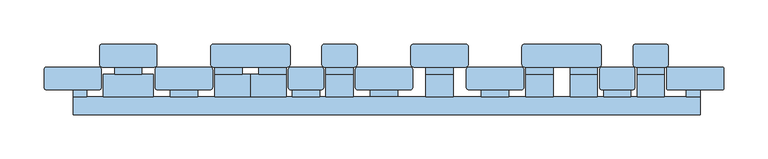
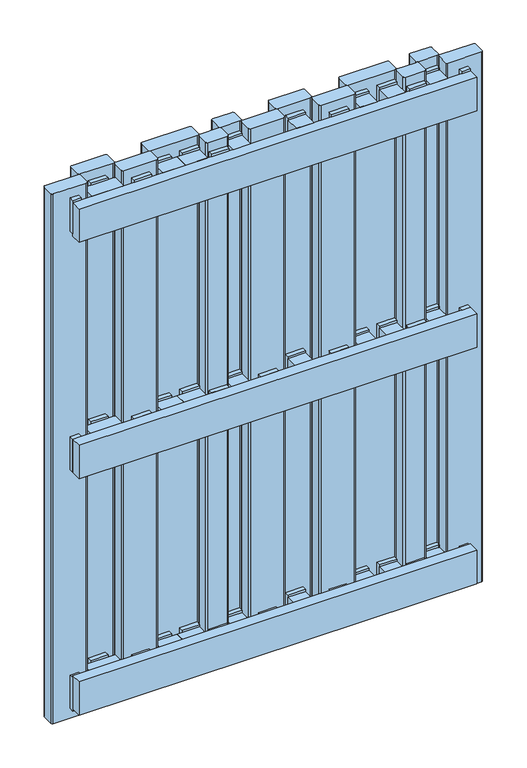
"""IFC4 building model written with IfcOpenShell, lengths in millimetres: window geometry."""

from ifc_helpers import new_model, si_unit, point, frame, frame_2d, origin, place, context, project, spatial, polyline, circle_curve, trimmed, segment, composite_curve, outline, extrude, source, transform, mapped, element, save


def window_7d31c56b(model_context):
    return source(origin(), model_context, "Body", "SweptSolid", [
        extrude(outline(polyline([(286.9988192, 20.0), (286.9988192, 46.0), (317.9988192, 46.0), (317.9988192, 20.0), (286.9988192, 20.0)])), frame((0.0, 0.0, 1023.0), z_axis=(0.0, 0.0, 1.0), x_axis=(1.0, 0.0, 0.0)), (0.0, 0.0, 1.0), 55.0),
        extrude(outline(polyline([(286.9988192, 20.0), (286.9988192, 46.0), (317.9988192, 46.0), (317.9988192, 20.0), (286.9988192, 20.0)])), frame((0.0, 0.0, 572.5), z_axis=(0.0, 0.0, 1.0), x_axis=(1.0, 0.0, 0.0)), (0.0, 0.0, 1.0), 55.0),
        extrude(outline(polyline([(286.9988192, 20.0), (286.9988192, 46.0), (317.9988192, 46.0), (317.9988192, 20.0), (286.9988192, 20.0)])), frame((0.0, 0.0, 121.986838), z_axis=(0.0, 0.0, 1.0), x_axis=(1.0, 0.0, 0.0)), (0.0, 0.0, 1.0), 55.0),
        extrude(outline(polyline([(286.9988192, 46.1), (286.9988192, 54.0), (317.9988192, 54.0), (317.9988192, 46.1), (286.9988192, 46.1)])), frame((0.0, 0.0, 568.5), z_axis=(0.0, 0.0, 1.0), x_axis=(1.0, 0.0, 0.0)), (0.0, 0.0, 1.0), 63.0),
        extrude(outline(polyline([(286.9988192, 46.0), (286.9988192, 53.9), (317.9988192, 53.9), (317.9988192, 46.0), (286.9988192, 46.0)])), frame((0.0, 0.0, 1019.0), z_axis=(0.0, 0.0, 1.0), x_axis=(1.0, 0.0, 0.0)), (0.0, 0.0, 1.0), 63.0),
        extrude(outline(polyline([(286.9988192, 46.0), (286.9988192, 53.9), (317.9988192, 53.9), (317.9988192, 46.0), (286.9988192, 46.0)])), frame((0.0, 0.0, 118.0), z_axis=(0.0, 0.0, 1.0), x_axis=(1.0, 0.0, 0.0)), (0.0, 0.0, 1.0), 63.0),
        extrude(outline(polyline([(248.9988192, 20.1), (248.9988192, 28.0), (279.9988192, 28.0), (279.9988192, 20.1), (248.9988192, 20.1)])), frame((0.0, 0.0, 568.5), z_axis=(0.0, 0.0, 1.0), x_axis=(1.0, 0.0, 0.0)), (0.0, 0.0, 1.0), 63.0),
        extrude(outline(polyline([(248.9988192, 20.0), (248.9988192, 27.9), (279.9988192, 27.9), (279.9988192, 20.0), (248.9988192, 20.0)])), frame((0.0, 0.0, 1019.0), z_axis=(0.0, 0.0, 1.0), x_axis=(1.0, 0.0, 0.0)), (0.0, 0.0, 1.0), 63.0),
        extrude(outline(polyline([(248.9988192, 20.0), (248.9988192, 27.9), (279.9988192, 27.9), (279.9988192, 20.0), (248.9988192, 20.0)])), frame((0.0, 0.0, 118.0), z_axis=(0.0, 0.0, 1.0), x_axis=(1.0, 0.0, 0.0)), (0.0, 0.0, 1.0), 63.0),
        extrude(outline(polyline([(211.0, 20.0), (211.0, 46.0), (242.0, 46.0), (242.0, 20.0), (211.0, 20.0)])), frame((0.0, 0.0, 1023.0), z_axis=(0.0, 0.0, 1.0), x_axis=(1.0, 0.0, 0.0)), (0.0, 0.0, 1.0), 55.0),
        extrude(outline(polyline([(211.0, 20.0), (211.0, 46.0), (242.0, 46.0), (242.0, 20.0), (211.0, 20.0)])), frame((0.0, 0.0, 572.5), z_axis=(0.0, 0.0, 1.0), x_axis=(1.0, 0.0, 0.0)), (0.0, 0.0, 1.0), 55.0),
        extrude(outline(polyline([(211.0, 20.0), (211.0, 46.0), (242.0, 46.0), (242.0, 20.0), (211.0, 20.0)])), frame((0.0, 0.0, 121.986838), z_axis=(0.0, 0.0, 1.0), x_axis=(1.0, 0.0, 0.0)), (0.0, 0.0, 1.0), 55.0),
        extrude(outline(polyline([(211.0, 46.1), (211.0, 54.0), (242.0, 54.0), (242.0, 46.1), (211.0, 46.1)])), frame((0.0, 0.0, 568.5), z_axis=(0.0, 0.0, 1.0), x_axis=(1.0, 0.0, 0.0)), (0.0, 0.0, 1.0), 63.0),
        extrude(outline(polyline([(211.0, 46.0), (211.0, 53.9), (242.0, 53.9), (242.0, 46.0), (211.0, 46.0)])), frame((0.0, 0.0, 1019.0), z_axis=(0.0, 0.0, 1.0), x_axis=(1.0, 0.0, 0.0)), (0.0, 0.0, 1.0), 63.0),
        extrude(outline(polyline([(211.0, 46.0), (211.0, 53.9), (242.0, 53.9), (242.0, 46.0), (211.0, 46.0)])), frame((0.0, 0.0, 118.0), z_axis=(0.0, 0.0, 1.0), x_axis=(1.0, 0.0, 0.0)), (0.0, 0.0, 1.0), 63.0),
        extrude(outline(polyline([(161.0, 20.0), (161.0, 46.0), (192.0, 46.0), (192.0, 20.0), (161.0, 20.0)])), frame((0.0, 0.0, 1023.0), z_axis=(0.0, 0.0, 1.0), x_axis=(1.0, 0.0, 0.0)), (0.0, 0.0, 1.0), 55.0),
        extrude(outline(polyline([(161.0, 20.0), (161.0, 46.0), (192.0, 46.0), (192.0, 20.0), (161.0, 20.0)])), frame((0.0, 0.0, 572.5), z_axis=(0.0, 0.0, 1.0), x_axis=(1.0, 0.0, 0.0)), (0.0, 0.0, 1.0), 55.0),
        extrude(outline(polyline([(161.0, 20.0), (161.0, 46.0), (192.0, 46.0), (192.0, 20.0), (161.0, 20.0)])), frame((0.0, 0.0, 121.986838), z_axis=(0.0, 0.0, 1.0), x_axis=(1.0, 0.0, 0.0)), (0.0, 0.0, 1.0), 55.0),
        extrude(outline(polyline([(161.0, 46.1), (161.0, 54.0), (192.0, 54.0), (192.0, 46.1), (161.0, 46.1)])), frame((0.0, 0.0, 568.5), z_axis=(0.0, 0.0, 1.0), x_axis=(1.0, 0.0, 0.0)), (0.0, 0.0, 1.0), 63.0),
        extrude(outline(polyline([(161.0, 46.0), (161.0, 53.9), (192.0, 53.9), (192.0, 46.0), (161.0, 46.0)])), frame((0.0, 0.0, 1019.0), z_axis=(0.0, 0.0, 1.0), x_axis=(1.0, 0.0, 0.0)), (0.0, 0.0, 1.0), 63.0),
        extrude(outline(polyline([(161.0, 46.0), (161.0, 53.9), (192.0, 53.9), (192.0, 46.0), (161.0, 46.0)])), frame((0.0, 0.0, 118.0), z_axis=(0.0, 0.0, 1.0), x_axis=(1.0, 0.0, 0.0)), (0.0, 0.0, 1.0), 63.0),
        extrude(outline(polyline([(110.5, 20.1), (110.5, 28.0), (141.5, 28.0), (141.5, 20.1), (110.5, 20.1)])), frame((0.0, 0.0, 568.5), z_axis=(0.0, 0.0, 1.0), x_axis=(1.0, 0.0, 0.0)), (0.0, 0.0, 1.0), 63.0),
        extrude(outline(polyline([(110.5, 20.0), (110.5, 27.9), (141.5, 27.9), (141.5, 20.0), (110.5, 20.0)])), frame((0.0, 0.0, 1019.0), z_axis=(0.0, 0.0, 1.0), x_axis=(1.0, 0.0, 0.0)), (0.0, 0.0, 1.0), 63.0),
        extrude(outline(polyline([(110.5, 20.0), (110.5, 27.9), (141.5, 27.9), (141.5, 20.0), (110.5, 20.0)])), frame((0.0, 0.0, 118.0), z_axis=(0.0, 0.0, 1.0), x_axis=(1.0, 0.0, 0.0)), (0.0, 0.0, 1.0), 63.0),
        extrude(outline(polyline([(47.5, 20.0), (47.5, 46.0), (78.5, 46.0), (78.5, 20.0), (47.5, 20.0)])), frame((0.0, 0.0, 1023.0), z_axis=(0.0, 0.0, 1.0), x_axis=(1.0, 0.0, 0.0)), (0.0, 0.0, 1.0), 55.0),
        extrude(outline(polyline([(47.5, 20.0), (47.5, 46.0), (78.5, 46.0), (78.5, 20.0), (47.5, 20.0)])), frame((0.0, 0.0, 572.5), z_axis=(0.0, 0.0, 1.0), x_axis=(1.0, 0.0, 0.0)), (0.0, 0.0, 1.0), 55.0),
        extrude(outline(polyline([(47.5, 20.0), (47.5, 46.0), (78.5, 46.0), (78.5, 20.0), (47.5, 20.0)])), frame((0.0, 0.0, 121.986838), z_axis=(0.0, 0.0, 1.0), x_axis=(1.0, 0.0, 0.0)), (0.0, 0.0, 1.0), 55.0),
        extrude(outline(polyline([(47.5, 46.1), (47.5, 54.0), (78.5, 54.0), (78.5, 46.1), (47.5, 46.1)])), frame((0.0, 0.0, 568.5), z_axis=(0.0, 0.0, 1.0), x_axis=(1.0, 0.0, 0.0)), (0.0, 0.0, 1.0), 63.0),
        extrude(outline(polyline([(47.5, 46.0), (47.5, 53.9), (78.5, 53.9), (78.5, 46.0), (47.5, 46.0)])), frame((0.0, 0.0, 1019.0), z_axis=(0.0, 0.0, 1.0), x_axis=(1.0, 0.0, 0.0)), (0.0, 0.0, 1.0), 63.0),
        extrude(outline(polyline([(47.5, 46.0), (47.5, 53.9), (78.5, 53.9), (78.5, 46.0), (47.5, 46.0)])), frame((0.0, 0.0, 118.0), z_axis=(0.0, 0.0, 1.0), x_axis=(1.0, 0.0, 0.0)), (0.0, 0.0, 1.0), 63.0),
        extrude(outline(polyline([(-66.0011808, 20.0), (-66.0011808, 46.0), (-35.0011808, 46.0), (-35.0011808, 20.0), (-66.0011808, 20.0)])), frame((0.0, 0.0, 1023.0), z_axis=(0.0, 0.0, 1.0), x_axis=(1.0, 0.0, 0.0)), (0.0, 0.0, 1.0), 55.0),
        extrude(outline(polyline([(-66.0011808, 20.0), (-66.0011808, 46.0), (-35.0011808, 46.0), (-35.0011808, 20.0), (-66.0011808, 20.0)])), frame((0.0, 0.0, 572.5), z_axis=(0.0, 0.0, 1.0), x_axis=(1.0, 0.0, 0.0)), (0.0, 0.0, 1.0), 55.0),
        extrude(outline(polyline([(-66.0011808, 20.0), (-66.0011808, 46.0), (-35.0011808, 46.0), (-35.0011808, 20.0), (-66.0011808, 20.0)])), frame((0.0, 0.0, 121.986838), z_axis=(0.0, 0.0, 1.0), x_axis=(1.0, 0.0, 0.0)), (0.0, 0.0, 1.0), 55.0),
        extrude(outline(polyline([(-66.0011808, 46.1), (-66.0011808, 54.0), (-35.0011808, 54.0), (-35.0011808, 46.1), (-66.0011808, 46.1)])), frame((0.0, 0.0, 568.5), z_axis=(0.0, 0.0, 1.0), x_axis=(1.0, 0.0, 0.0)), (0.0, 0.0, 1.0), 63.0),
        extrude(outline(polyline([(-66.0011808, 46.0), (-66.0011808, 53.9), (-35.0011808, 53.9), (-35.0011808, 46.0), (-66.0011808, 46.0)])), frame((0.0, 0.0, 1019.0), z_axis=(0.0, 0.0, 1.0), x_axis=(1.0, 0.0, 0.0)), (0.0, 0.0, 1.0), 63.0),
        extrude(outline(polyline([(-66.0011808, 46.0), (-66.0011808, 53.9), (-35.0011808, 53.9), (-35.0011808, 46.0), (-66.0011808, 46.0)])), frame((0.0, 0.0, 118.0), z_axis=(0.0, 0.0, 1.0), x_axis=(1.0, 0.0, 0.0)), (0.0, 0.0, 1.0), 63.0),
        extrude(outline(polyline([(-104.0011808, 20.1), (-104.0011808, 28.0), (-73.0011808, 28.0), (-73.0011808, 20.1), (-104.0011808, 20.1)])), frame((0.0, 0.0, 568.5), z_axis=(0.0, 0.0, 1.0), x_axis=(1.0, 0.0, 0.0)), (0.0, 0.0, 1.0), 63.0),
        extrude(outline(polyline([(-104.0011808, 20.0), (-104.0011808, 27.9), (-73.0011808, 27.9), (-73.0011808, 20.0), (-104.0011808, 20.0)])), frame((0.0, 0.0, 1019.0), z_axis=(0.0, 0.0, 1.0), x_axis=(1.0, 0.0, 0.0)), (0.0, 0.0, 1.0), 63.0),
        extrude(outline(polyline([(-104.0011808, 20.0), (-104.0011808, 27.9), (-73.0011808, 27.9), (-73.0011808, 20.0), (-104.0011808, 20.0)])), frame((0.0, 0.0, 118.0), z_axis=(0.0, 0.0, 1.0), x_axis=(1.0, 0.0, 0.0)), (0.0, 0.0, 1.0), 63.0),
        extrude(outline(polyline([(-15.5, 20.2), (-15.5, 28.1), (15.5, 28.1), (15.5, 20.2), (-15.5, 20.2)])), frame((0.0, 0.0, 568.5), z_axis=(0.0, 0.0, 1.0), x_axis=(1.0, 0.0, 0.0)), (0.0, 0.0, 1.0), 63.0),
        extrude(outline(polyline([(-15.5, 20.0), (-15.5, 27.9), (15.5, 27.9), (15.5, 20.0), (-15.5, 20.0)])), frame((0.0, 0.0, 118.0), z_axis=(0.0, 0.0, 1.0), x_axis=(1.0, 0.0, 0.0)), (0.0, 0.0, 1.0), 63.0),
        extrude(outline(polyline([(-151.0, 20.0), (-151.0, 46.0), (-111.0, 46.0), (-111.0, 20.0), (-151.0, 20.0)])), frame((0.0, 0.0, 1023.0), z_axis=(0.0, 0.0, 1.0), x_axis=(1.0, 0.0, 0.0)), (0.0, 0.0, 1.0), 55.0),
        extrude(outline(polyline([(-151.0, 20.0), (-151.0, 46.0), (-111.0, 46.0), (-111.0, 20.0), (-151.0, 20.0)])), frame((0.0, 0.0, 572.5), z_axis=(0.0, 0.0, 1.0), x_axis=(1.0, 0.0, 0.0)), (0.0, 0.0, 1.0), 55.0),
        extrude(outline(polyline([(-151.0, 20.0), (-151.0, 46.0), (-111.0, 46.0), (-111.0, 20.0), (-151.0, 20.0)])), frame((0.0, 0.0, 121.986838), z_axis=(0.0, 0.0, 1.0), x_axis=(1.0, 0.0, 0.0)), (0.0, 0.0, 1.0), 55.0),
        extrude(outline(polyline([(-142.0, 46.1), (-142.0, 54.0), (-111.0, 54.0), (-111.0, 46.1), (-142.0, 46.1)])), frame((0.0, 0.0, 568.5), z_axis=(0.0, 0.0, 1.0), x_axis=(1.0, 0.0, 0.0)), (0.0, 0.0, 1.0), 63.0),
        extrude(outline(polyline([(-142.0, 46.0), (-142.0, 53.9), (-111.0, 53.9), (-111.0, 46.0), (-142.0, 46.0)])), frame((0.0, 0.0, 1019.0), z_axis=(0.0, 0.0, 1.0), x_axis=(1.0, 0.0, 0.0)), (0.0, 0.0, 1.0), 63.0),
        extrude(outline(polyline([(-142.0, 46.0), (-142.0, 53.9), (-111.0, 53.9), (-111.0, 46.0), (-142.0, 46.0)])), frame((0.0, 0.0, 118.0), z_axis=(0.0, 0.0, 1.0), x_axis=(1.0, 0.0, 0.0)), (0.0, 0.0, 1.0), 63.0),
        extrude(outline(polyline([(-192.0, 20.0), (-192.0, 46.0), (-151.0, 46.0), (-151.0, 20.0), (-192.0, 20.0)])), frame((0.0, 0.0, 1023.0), z_axis=(0.0, 0.0, 1.0), x_axis=(1.0, 0.0, 0.0)), (0.0, 0.0, 1.0), 55.0),
        extrude(outline(polyline([(-192.0, 20.0), (-192.0, 46.0), (-151.0, 46.0), (-151.0, 20.0), (-192.0, 20.0)])), frame((0.0, 0.0, 572.5), z_axis=(0.0, 0.0, 1.0), x_axis=(1.0, 0.0, 0.0)), (0.0, 0.0, 1.0), 55.0),
        extrude(outline(polyline([(-192.0, 20.0), (-192.0, 46.0), (-151.0, 46.0), (-151.0, 20.0), (-192.0, 20.0)])), frame((0.0, 0.0, 121.986838), z_axis=(0.0, 0.0, 1.0), x_axis=(1.0, 0.0, 0.0)), (0.0, 0.0, 1.0), 55.0),
        extrude(outline(polyline([(-192.0, 46.1), (-192.0, 54.0), (-161.0, 54.0), (-161.0, 46.1), (-192.0, 46.1)])), frame((0.0, 0.0, 568.5), z_axis=(0.0, 0.0, 1.0), x_axis=(1.0, 0.0, 0.0)), (0.0, 0.0, 1.0), 63.0),
        extrude(outline(polyline([(-192.0, 46.0), (-192.0, 53.9), (-161.0, 53.9), (-161.0, 46.0), (-192.0, 46.0)])), frame((0.0, 0.0, 1019.0), z_axis=(0.0, 0.0, 1.0), x_axis=(1.0, 0.0, 0.0)), (0.0, 0.0, 1.0), 63.0),
        extrude(outline(polyline([(-192.0, 46.0), (-192.0, 53.9), (-161.0, 53.9), (-161.0, 46.0), (-192.0, 46.0)])), frame((0.0, 0.0, 118.0), z_axis=(0.0, 0.0, 1.0), x_axis=(1.0, 0.0, 0.0)), (0.0, 0.0, 1.0), 63.0),
        extrude(outline(polyline([(-242.5, 20.1), (-242.5, 28.0), (-211.5, 28.0), (-211.5, 20.1), (-242.5, 20.1)])), frame((0.0, 0.0, 568.5), z_axis=(0.0, 0.0, 1.0), x_axis=(1.0, 0.0, 0.0)), (0.0, 0.0, 1.0), 63.0),
        extrude(outline(polyline([(-242.5, 20.0), (-242.5, 27.9), (-211.5, 27.9), (-211.5, 20.0), (-242.5, 20.0)])), frame((0.0, 0.0, 1019.0), z_axis=(0.0, 0.0, 1.0), x_axis=(1.0, 0.0, 0.0)), (0.0, 0.0, 1.0), 63.0),
        extrude(outline(polyline([(-242.5, 20.0), (-242.5, 27.9), (-211.5, 27.9), (-211.5, 20.0), (-242.5, 20.0)])), frame((0.0, 0.0, 118.0), z_axis=(0.0, 0.0, 1.0), x_axis=(1.0, 0.0, 0.0)), (0.0, 0.0, 1.0), 63.0),
        extrude(outline(polyline([(-318.5, 20.0), (-318.5, 46.0), (-261.5, 46.0), (-261.5, 20.0), (-318.5, 20.0)])), frame((0.0, 0.0, 1023.0), z_axis=(0.0, 0.0, 1.0), x_axis=(1.0, 0.0, 0.0)), (0.0, 0.0, 1.0), 55.0),
        extrude(outline(polyline([(-318.5, 20.0), (-318.5, 46.0), (-261.5, 46.0), (-261.5, 20.0), (-318.5, 20.0)])), frame((0.0, 0.0, 572.5), z_axis=(0.0, 0.0, 1.0), x_axis=(1.0, 0.0, 0.0)), (0.0, 0.0, 1.0), 55.0),
        extrude(outline(polyline([(-318.5, 20.0), (-318.5, 46.0), (-261.5, 46.0), (-261.5, 20.0), (-318.5, 20.0)])), frame((0.0, 0.0, 121.986838), z_axis=(0.0, 0.0, 1.0), x_axis=(1.0, 0.0, 0.0)), (0.0, 0.0, 1.0), 55.0),
        extrude(outline(polyline([(-305.5, 46.1), (-305.5, 54.0), (-274.5, 54.0), (-274.5, 46.1), (-305.5, 46.1)])), frame((0.0, 0.0, 568.5), z_axis=(0.0, 0.0, 1.0), x_axis=(1.0, 0.0, 0.0)), (0.0, 0.0, 1.0), 63.0),
        extrude(outline(polyline([(-305.5, 46.0), (-305.5, 53.9), (-274.5, 53.9), (-274.5, 46.0), (-305.5, 46.0)])), frame((0.0, 0.0, 1019.0), z_axis=(0.0, 0.0, 1.0), x_axis=(1.0, 0.0, 0.0)), (0.0, 0.0, 1.0), 63.0),
        extrude(outline(polyline([(-305.5, 46.0), (-305.5, 53.9), (-274.5, 53.9), (-274.5, 46.0), (-305.5, 46.0)])), frame((0.0, 0.0, 118.0), z_axis=(0.0, 0.0, 1.0), x_axis=(1.0, 0.0, 0.0)), (0.0, 0.0, 1.0), 63.0),
        extrude(outline(polyline([(343.0, 20.1), (343.0, 28.0), (358.5, 28.0), (358.5, 20.1), (343.0, 20.1)])), frame((0.0, 0.0, 568.5), z_axis=(0.0, 0.0, 1.0), x_axis=(1.0, 0.0, 0.0)), (0.0, 0.0, 1.0), 63.0),
        extrude(outline(polyline([(343.0, 20.0), (343.0, 27.9), (358.5, 27.9), (358.5, 20.0), (343.0, 20.0)])), frame((0.0, 0.0, 1019.0), z_axis=(0.0, 0.0, 1.0), x_axis=(1.0, 0.0, 0.0)), (0.0, 0.0, 1.0), 63.0),
        extrude(outline(polyline([(343.0, 20.0), (343.0, 27.9), (358.5, 27.9), (358.5, 20.0), (343.0, 20.0)])), frame((0.0, 0.0, 118.0), z_axis=(0.0, 0.0, 1.0), x_axis=(1.0, 0.0, 0.0)), (0.0, 0.0, 1.0), 63.0),
        extrude(outline(polyline([(-337.0, 28.0), (-337.0, 20.1), (-352.5, 20.1), (-352.5, 28.0), (-337.0, 28.0)])), frame((0.0, 0.0, 568.5), z_axis=(0.0, 0.0, 1.0), x_axis=(1.0, 0.0, 0.0)), (0.0, 0.0, 1.0), 63.0),
        extrude(outline(polyline([(-337.0, 27.9), (-337.0, 20.0), (-352.5, 20.0), (-352.5, 27.9), (-337.0, 27.9)])), frame((0.0, 0.0, 1019.0), z_axis=(0.0, 0.0, 1.0), x_axis=(1.0, 0.0, 0.0)), (0.0, 0.0, 1.0), 63.0),
        extrude(outline(polyline([(-337.0, 27.9), (-337.0, 20.0), (-352.5, 20.0), (-352.5, 27.9), (-337.0, 27.9)])), frame((0.0, 0.0, 118.0), z_axis=(0.0, 0.0, 1.0), x_axis=(1.0, 0.0, 0.0)), (0.0, 0.0, 1.0), 63.0),
        extrude(outline(polyline([(-352.5, 0.1), (-352.5, 20.1), (358.5, 20.1), (358.5, 0.1), (-352.5, 0.1)])), frame((0.0, 0.0, 568.5), z_axis=(0.0, 0.0, 1.0), x_axis=(1.0, 0.0, 0.0)), (0.0, 0.0, 1.0), 63.0),
        extrude(outline(polyline([(-352.5, 0.0), (-352.5, 20.0), (358.5, 20.0), (358.5, 0.0), (-352.5, 0.0)])), frame((0.0, 0.0, 1015.0), z_axis=(0.0, 0.0, 1.0), x_axis=(1.0, 0.0, 0.0)), (0.0, 0.0, 1.0), 63.0),
        extrude(outline(polyline([(-352.5, 0.0), (-352.5, 20.0), (358.5, 20.0), (358.5, 0.0), (-352.5, 0.0)])), frame((0.0, 0.0, 122.0), z_axis=(0.0, 0.0, 1.0), x_axis=(1.0, 0.0, 0.0)), (0.0, 0.0, 1.0), 63.0),
        extrude(outline(composite_curve([segment(polyline([(-32.5, 31.0), (-32.5, 51.0)]), True, "CONTINUOUS"), segment(trimmed(circle_curve(frame_2d((-29.5, 51.0)), 3.0), [point((-32.5, 51.0))], [point((-29.5, 54.0))], False, "CARTESIAN"), True, "CONTINUOUS"), segment(polyline([(-29.5, 54.0), (29.5, 54.0)]), True, "CONTINUOUS"), segment(trimmed(circle_curve(frame_2d((29.5, 51.0)), 3.0), [point((29.5, 54.0))], [point((32.5, 51.0))], False, "CARTESIAN"), True, "CONTINUOUS"), segment(polyline([(32.5, 51.0), (32.5, 31.0)]), True, "CONTINUOUS"), segment(trimmed(circle_curve(frame_2d((29.5, 31.0)), 3.0), [point((32.5, 31.0))], [point((29.5, 28.0))], False, "CARTESIAN"), True, "CONTINUOUS"), segment(polyline([(29.5, 28.0), (-29.5, 28.0)]), True, "CONTINUOUS"), segment(trimmed(circle_curve(frame_2d((-29.5, 31.0)), 3.0), [point((-29.5, 28.0))], [point((-32.5, 31.0))], False, "CARTESIAN"), True, "CONTINUOUS")], self_intersect=False)), frame((0.0, 0.0, 100.0), z_axis=(0.0, 0.0, 1.0), x_axis=(1.0, 0.0, 0.0)), (0.0, 0.0, 1.0), 1000.0),
        extrude(outline(composite_curve([segment(polyline([(30.5, 57.0), (30.5, 77.0)]), True, "CONTINUOUS"), segment(trimmed(circle_curve(frame_2d((33.5, 77.0)), 3.0), [point((30.5, 77.0))], [point((33.5, 80.0))], False, "CARTESIAN"), True, "CONTINUOUS"), segment(polyline([(33.5, 80.0), (92.5, 80.0)]), True, "CONTINUOUS"), segment(trimmed(circle_curve(frame_2d((92.5, 77.0)), 3.0), [point((92.5, 80.0))], [point((95.5, 77.0))], False, "CARTESIAN"), True, "CONTINUOUS"), segment(polyline([(95.5, 77.0), (95.5, 57.0)]), True, "CONTINUOUS"), segment(trimmed(circle_curve(frame_2d((92.5, 57.0)), 3.0), [point((95.5, 57.0))], [point((92.5, 54.0))], False, "CARTESIAN"), True, "CONTINUOUS"), segment(polyline([(92.5, 54.0), (33.5, 54.0)]), True, "CONTINUOUS"), segment(trimmed(circle_curve(frame_2d((33.5, 57.0)), 3.0), [point((33.5, 54.0))], [point((30.5, 57.0))], False, "CARTESIAN"), True, "CONTINUOUS")], self_intersect=False)), frame((0.0, 0.0, 100.0), z_axis=(0.0, 0.0, 1.0), x_axis=(1.0, 0.0, 0.0)), (0.0, 0.0, 1.0), 1000.0),
        extrude(outline(composite_curve([segment(polyline([(93.5, 31.0), (93.5, 51.0)]), True, "CONTINUOUS"), segment(trimmed(circle_curve(frame_2d((96.5, 51.0)), 3.0), [point((93.5, 51.0))], [point((96.5, 54.0))], False, "CARTESIAN"), True, "CONTINUOUS"), segment(polyline([(96.5, 54.0), (155.5, 54.0)]), True, "CONTINUOUS"), segment(trimmed(circle_curve(frame_2d((155.5, 51.0)), 3.0), [point((155.5, 54.0))], [point((158.5, 51.0))], False, "CARTESIAN"), True, "CONTINUOUS"), segment(polyline([(158.5, 51.0), (158.5, 31.0)]), True, "CONTINUOUS"), segment(trimmed(circle_curve(frame_2d((155.5, 31.0)), 3.0), [point((158.5, 31.0))], [point((155.5, 28.0))], False, "CARTESIAN"), True, "CONTINUOUS"), segment(polyline([(155.5, 28.0), (96.5, 28.0)]), True, "CONTINUOUS"), segment(trimmed(circle_curve(frame_2d((96.5, 31.0)), 3.0), [point((96.5, 28.0))], [point((93.5, 31.0))], False, "CARTESIAN"), True, "CONTINUOUS")], self_intersect=False)), frame((0.0, 0.0, 100.0), z_axis=(0.0, 0.0, 1.0), x_axis=(1.0, 0.0, 0.0)), (0.0, 0.0, 1.0), 1000.0),
        extrude(outline(composite_curve([segment(polyline([(156.5, 57.0), (156.5, 77.0)]), True, "CONTINUOUS"), segment(trimmed(circle_curve(frame_2d((159.5, 77.0)), 3.0), [point((156.5, 77.0))], [point((159.5, 80.0))], False, "CARTESIAN"), True, "CONTINUOUS"), segment(polyline([(159.5, 80.0), (243.4988192, 80.0)]), True, "CONTINUOUS"), segment(trimmed(circle_curve(frame_2d((243.4988192, 77.0)), 3.0), [point((243.4988192, 80.0))], [point((246.4988192, 77.0))], False, "CARTESIAN"), True, "CONTINUOUS"), segment(polyline([(246.4988192, 77.0), (246.4988192, 57.0)]), True, "CONTINUOUS"), segment(trimmed(circle_curve(frame_2d((243.4988192, 57.0)), 3.0), [point((246.4988192, 57.0))], [point((243.4988192, 54.0))], False, "CARTESIAN"), True, "CONTINUOUS"), segment(polyline([(243.4988192, 54.0), (159.5, 54.0)]), True, "CONTINUOUS"), segment(trimmed(circle_curve(frame_2d((159.5, 57.0)), 3.0), [point((159.5, 54.0))], [point((156.5, 57.0))], False, "CARTESIAN"), True, "CONTINUOUS")], self_intersect=False)), frame((0.0, 0.0, 100.0), z_axis=(0.0, 0.0, 1.0), x_axis=(1.0, 0.0, 0.0)), (0.0, 0.0, 1.0), 1000.0),
        extrude(outline(composite_curve([segment(trimmed(circle_curve(frame_2d((319.4820433, 57.0)), 3.0), [point((322.4820433, 57.0))], [point((319.4820433, 54.0))], False, "CARTESIAN"), True, "CONTINUOUS"), segment(polyline([(319.4820433, 54.0), (285.4904313, 54.0)]), True, "CONTINUOUS"), segment(trimmed(circle_curve(frame_2d((285.4904313, 57.0)), 3.0), [point((285.4904313, 54.0))], [point((282.4904313, 57.0))], False, "CARTESIAN"), True, "CONTINUOUS"), segment(polyline([(282.4904313, 57.0), (282.4904313, 77.0)]), True, "CONTINUOUS"), segment(trimmed(circle_curve(frame_2d((285.4904313, 77.0)), 3.0), [point((282.4904313, 77.0))], [point((285.4904313, 80.0))], False, "CARTESIAN"), True, "CONTINUOUS"), segment(polyline([(285.4904313, 80.0), (319.4820433, 80.0)]), True, "CONTINUOUS"), segment(trimmed(circle_curve(frame_2d((319.4820433, 77.0)), 3.0), [point((319.4820433, 80.0))], [point((322.4820433, 77.0))], False, "CARTESIAN"), True, "CONTINUOUS"), segment(polyline([(322.4820433, 77.0), (322.4820433, 57.0)]), True, "CONTINUOUS")], self_intersect=False)), frame((0.0, 0.0, 100.0), z_axis=(0.0, 0.0, 1.0), x_axis=(1.0, 0.0, 0.0)), (0.0, 0.0, 1.0), 1000.0),
        extrude(outline(composite_curve([segment(trimmed(circle_curve(frame_2d((281.4904313, 31.0)), 3.0), [point((284.4904313, 31.0))], [point((281.4904313, 28.0))], False, "CARTESIAN"), True, "CONTINUOUS"), segment(polyline([(281.4904313, 28.0), (247.4988192, 28.0)]), True, "CONTINUOUS"), segment(trimmed(circle_curve(frame_2d((247.4988192, 31.0)), 3.0), [point((247.4988192, 28.0))], [point((244.4988192, 31.0))], False, "CARTESIAN"), True, "CONTINUOUS"), segment(polyline([(244.4988192, 31.0), (244.4988192, 51.0)]), True, "CONTINUOUS"), segment(trimmed(circle_curve(frame_2d((247.4988192, 51.0)), 3.0), [point((244.4988192, 51.0))], [point((247.4988192, 54.0))], False, "CARTESIAN"), True, "CONTINUOUS"), segment(polyline([(247.4988192, 54.0), (281.4904313, 54.0)]), True, "CONTINUOUS"), segment(trimmed(circle_curve(frame_2d((281.4904313, 51.0)), 3.0), [point((281.4904313, 54.0))], [point((284.4904313, 51.0))], False, "CARTESIAN"), True, "CONTINUOUS"), segment(polyline([(284.4904313, 51.0), (284.4904313, 31.0)]), True, "CONTINUOUS")], self_intersect=False)), frame((0.0, 0.0, 100.0), z_axis=(0.0, 0.0, 1.0), x_axis=(1.0, 0.0, 0.0)), (0.0, 0.0, 1.0), 1000.0),
        extrude(outline(composite_curve([segment(polyline([(320.5, 30.0), (320.5, 52.0)]), True, "CONTINUOUS"), segment(trimmed(circle_curve(frame_2d((322.5, 52.0)), 2.0), [point((320.5, 52.0))], [point((322.5, 54.0))], False, "CARTESIAN"), True, "CONTINUOUS"), segment(polyline([(322.5, 54.0), (383.5, 54.0)]), True, "CONTINUOUS"), segment(trimmed(circle_curve(frame_2d((383.5, 52.0)), 2.0), [point((383.5, 54.0))], [point((385.5, 52.0))], False, "CARTESIAN"), True, "CONTINUOUS"), segment(polyline([(385.5, 52.0), (385.5, 30.0)]), True, "CONTINUOUS"), segment(trimmed(circle_curve(frame_2d((383.5, 30.0)), 2.0), [point((385.5, 30.0))], [point((383.5, 28.0))], False, "CARTESIAN"), True, "CONTINUOUS"), segment(polyline([(383.5, 28.0), (322.5, 28.0)]), True, "CONTINUOUS"), segment(trimmed(circle_curve(frame_2d((322.5, 30.0)), 2.0), [point((322.5, 28.0))], [point((320.5, 30.0))], False, "CARTESIAN"), True, "CONTINUOUS")], self_intersect=False)), frame((0.0, 0.0, 100.0), z_axis=(0.0, 0.0, 1.0), x_axis=(1.0, 0.0, 0.0)), (0.0, 0.0, 1.0), 1000.0),
        extrude(outline(composite_curve([segment(polyline([(-385.5, 31.0), (-385.5, 51.0)]), True, "CONTINUOUS"), segment(trimmed(circle_curve(frame_2d((-382.5, 51.0)), 3.0), [point((-385.5, 51.0))], [point((-382.5, 54.0))], False, "CARTESIAN"), True, "CONTINUOUS"), segment(polyline([(-382.5, 54.0), (-323.5, 54.0)]), True, "CONTINUOUS"), segment(trimmed(circle_curve(frame_2d((-323.5, 51.0)), 3.0), [point((-323.5, 54.0))], [point((-320.5, 51.0))], False, "CARTESIAN"), True, "CONTINUOUS"), segment(polyline([(-320.5, 51.0), (-320.5, 31.0)]), True, "CONTINUOUS"), segment(trimmed(circle_curve(frame_2d((-323.5, 31.0)), 3.0), [point((-320.5, 31.0))], [point((-323.5, 28.0))], False, "CARTESIAN"), True, "CONTINUOUS"), segment(polyline([(-323.5, 28.0), (-382.5, 28.0)]), True, "CONTINUOUS"), segment(trimmed(circle_curve(frame_2d((-382.5, 31.0)), 3.0), [point((-382.5, 28.0))], [point((-385.5, 31.0))], False, "CARTESIAN"), True, "CONTINUOUS")], self_intersect=False)), frame((0.0, 0.0, 100.0), z_axis=(0.0, 0.0, 1.0), x_axis=(1.0, 0.0, 0.0)), (0.0, 0.0, 1.0), 1000.0),
        extrude(outline(composite_curve([segment(polyline([(-322.5, 57.0), (-322.5, 77.0)]), True, "CONTINUOUS"), segment(trimmed(circle_curve(frame_2d((-319.5, 77.0)), 3.0), [point((-322.5, 77.0))], [point((-319.5, 80.0))], False, "CARTESIAN"), True, "CONTINUOUS"), segment(polyline([(-319.5, 80.0), (-260.5, 80.0)]), True, "CONTINUOUS"), segment(trimmed(circle_curve(frame_2d((-260.5, 77.0)), 3.0), [point((-260.5, 80.0))], [point((-257.5, 77.0))], False, "CARTESIAN"), True, "CONTINUOUS"), segment(polyline([(-257.5, 77.0), (-257.5, 57.0)]), True, "CONTINUOUS"), segment(trimmed(circle_curve(frame_2d((-260.5, 57.0)), 3.0), [point((-257.5, 57.0))], [point((-260.5, 54.0))], False, "CARTESIAN"), True, "CONTINUOUS"), segment(polyline([(-260.5, 54.0), (-319.5, 54.0)]), True, "CONTINUOUS"), segment(trimmed(circle_curve(frame_2d((-319.5, 57.0)), 3.0), [point((-319.5, 54.0))], [point((-322.5, 57.0))], False, "CARTESIAN"), True, "CONTINUOUS")], self_intersect=False)), frame((0.0, 0.0, 100.0), z_axis=(0.0, 0.0, 1.0), x_axis=(1.0, 0.0, 0.0)), (0.0, 0.0, 1.0), 1000.0),
        extrude(outline(composite_curve([segment(polyline([(-259.5, 31.0), (-259.5, 51.0)]), True, "CONTINUOUS"), segment(trimmed(circle_curve(frame_2d((-256.5, 51.0)), 3.0), [point((-259.5, 51.0))], [point((-256.5, 54.0))], False, "CARTESIAN"), True, "CONTINUOUS"), segment(polyline([(-256.5, 54.0), (-197.5, 54.0)]), True, "CONTINUOUS"), segment(trimmed(circle_curve(frame_2d((-197.5, 51.0)), 3.0), [point((-197.5, 54.0))], [point((-194.5, 51.0))], False, "CARTESIAN"), True, "CONTINUOUS"), segment(polyline([(-194.5, 51.0), (-194.5, 31.0)]), True, "CONTINUOUS"), segment(trimmed(circle_curve(frame_2d((-197.5, 31.0)), 3.0), [point((-194.5, 31.0))], [point((-197.5, 28.0))], False, "CARTESIAN"), True, "CONTINUOUS"), segment(polyline([(-197.5, 28.0), (-256.5, 28.0)]), True, "CONTINUOUS"), segment(trimmed(circle_curve(frame_2d((-256.5, 31.0)), 3.0), [point((-256.5, 28.0))], [point((-259.5, 31.0))], False, "CARTESIAN"), True, "CONTINUOUS")], self_intersect=False)), frame((0.0, 0.0, 100.0), z_axis=(0.0, 0.0, 1.0), x_axis=(1.0, 0.0, 0.0)), (0.0, 0.0, 1.0), 1000.0),
        extrude(outline(composite_curve([segment(polyline([(-196.5, 57.0), (-196.5, 77.0)]), True, "CONTINUOUS"), segment(trimmed(circle_curve(frame_2d((-193.5, 77.0)), 3.0), [point((-196.5, 77.0))], [point((-193.5, 80.0))], False, "CARTESIAN"), True, "CONTINUOUS"), segment(polyline([(-193.5, 80.0), (-109.5011808, 80.0)]), True, "CONTINUOUS"), segment(trimmed(circle_curve(frame_2d((-109.5011808, 77.0)), 3.0), [point((-109.5011808, 80.0))], [point((-106.5011808, 77.0))], False, "CARTESIAN"), True, "CONTINUOUS"), segment(polyline([(-106.5011808, 77.0), (-106.5011808, 57.0)]), True, "CONTINUOUS"), segment(trimmed(circle_curve(frame_2d((-109.5011808, 57.0)), 3.0), [point((-106.5011808, 57.0))], [point((-109.5011808, 54.0))], False, "CARTESIAN"), True, "CONTINUOUS"), segment(polyline([(-109.5011808, 54.0), (-193.5, 54.0)]), True, "CONTINUOUS"), segment(trimmed(circle_curve(frame_2d((-193.5, 57.0)), 3.0), [point((-193.5, 54.0))], [point((-196.5, 57.0))], False, "CARTESIAN"), True, "CONTINUOUS")], self_intersect=False)), frame((0.0, 0.0, 100.0), z_axis=(0.0, 0.0, 1.0), x_axis=(1.0, 0.0, 0.0)), (0.0, 0.0, 1.0), 1000.0),
        extrude(outline(composite_curve([segment(trimmed(circle_curve(frame_2d((-33.5011808, 57.0)), 3.0), [point((-30.5011808, 57.0))], [point((-33.5011808, 54.0))], False, "CARTESIAN"), True, "CONTINUOUS"), segment(polyline([(-33.5011808, 54.0), (-67.5011808, 54.0)]), True, "CONTINUOUS"), segment(trimmed(circle_curve(frame_2d((-67.5011808, 57.0)), 3.0), [point((-67.5011808, 54.0))], [point((-70.5011808, 57.0))], False, "CARTESIAN"), True, "CONTINUOUS"), segment(polyline([(-70.5011808, 57.0), (-70.5011808, 77.0)]), True, "CONTINUOUS"), segment(trimmed(circle_curve(frame_2d((-67.5011808, 77.0)), 3.0), [point((-70.5011808, 77.0))], [point((-67.5011808, 80.0))], False, "CARTESIAN"), True, "CONTINUOUS"), segment(polyline([(-67.5011808, 80.0), (-33.5011808, 80.0)]), True, "CONTINUOUS"), segment(trimmed(circle_curve(frame_2d((-33.5011808, 77.0)), 3.0), [point((-33.5011808, 80.0))], [point((-30.5011808, 77.0))], False, "CARTESIAN"), True, "CONTINUOUS"), segment(polyline([(-30.5011808, 77.0), (-30.5011808, 57.0)]), True, "CONTINUOUS")], self_intersect=False)), frame((0.0, 0.0, 100.0), z_axis=(0.0, 0.0, 1.0), x_axis=(1.0, 0.0, 0.0)), (0.0, 0.0, 1.0), 1000.0),
        extrude(outline(composite_curve([segment(trimmed(circle_curve(frame_2d((-71.5011808, 31.0)), 3.0), [point((-68.5011808, 31.0))], [point((-71.5011808, 28.0))], False, "CARTESIAN"), True, "CONTINUOUS"), segment(polyline([(-71.5011808, 28.0), (-105.5011808, 28.0)]), True, "CONTINUOUS"), segment(trimmed(circle_curve(frame_2d((-105.5011808, 31.0)), 3.0), [point((-105.5011808, 28.0))], [point((-108.5011808, 31.0))], False, "CARTESIAN"), True, "CONTINUOUS"), segment(polyline([(-108.5011808, 31.0), (-108.5011808, 51.0)]), True, "CONTINUOUS"), segment(trimmed(circle_curve(frame_2d((-105.5011808, 51.0)), 3.0), [point((-108.5011808, 51.0))], [point((-105.5011808, 54.0))], False, "CARTESIAN"), True, "CONTINUOUS"), segment(polyline([(-105.5011808, 54.0), (-71.5011808, 54.0)]), True, "CONTINUOUS"), segment(trimmed(circle_curve(frame_2d((-71.5011808, 51.0)), 3.0), [point((-71.5011808, 54.0))], [point((-68.5011808, 51.0))], False, "CARTESIAN"), True, "CONTINUOUS"), segment(polyline([(-68.5011808, 51.0), (-68.5011808, 31.0)]), True, "CONTINUOUS")], self_intersect=False)), frame((0.0, 0.0, 100.0), z_axis=(0.0, 0.0, 1.0), x_axis=(1.0, 0.0, 0.0)), (0.0, 0.0, 1.0), 1000.0),
    ])


if __name__ == "__main__":
    model = new_model("IFC4")
    model_context = context("Model", 3, world=origin())
    ifc_project = project(units=[si_unit("LENGTHUNIT", "METRE", prefix="MILLI")], contexts=[model_context])
    site = spatial("IfcSite", under=ifc_project)
    building = spatial("IfcBuilding", under=site)
    placement = place(None, origin())
    window_shape = window_7d31c56b(model_context)
    element("IfcWindow", 1, at=placement, inside=building, context=model_context, shape_type="MappedRepresentation", body=[
        mapped(window_shape, transform((0.0, 0.0, 0.0), x_axis=(1.0, 0.0, 0.0), y_axis=(0.0, 1.0, 0.0), z_axis=(0.0, 0.0, 1.0))),
    ])
    save(model, "model.ifc")
